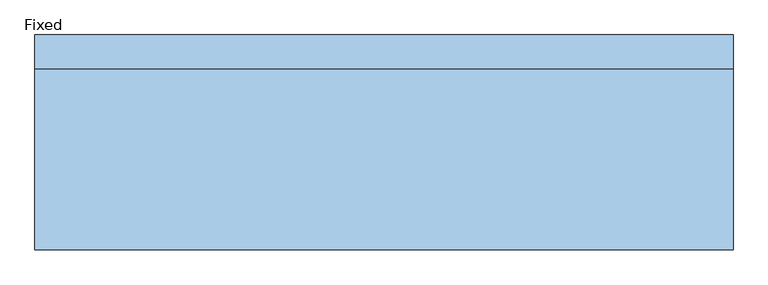
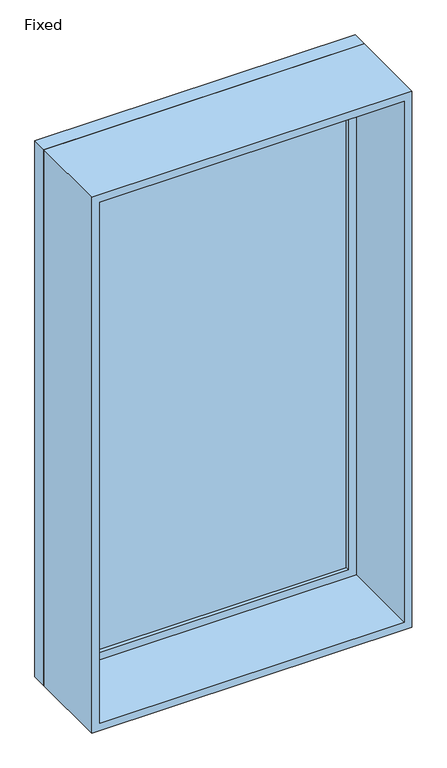
"""IFC4 building model written with IfcOpenShell, lengths in millimetres: window geometry, Fixed."""

from ifc_helpers import new_model, si_unit, frame, origin, place, context, project, spatial, polyline, outline, extrude, source, transform, mapped, element, save


def fixed_79c2ac33(model_context):
    return source(origin(), model_context, "Body", "SweptSolid", [
        extrude(outline(polyline([(548.4, 152.375), (-624.6, 152.375), (-624.6, 165.075), (548.4, 165.075), (548.4, 152.375)])), frame((0.0, 0.0, 977.9), z_axis=(0.0, 0.0, 1.0), x_axis=(1.0, 0.0, 0.0)), (0.0, 0.0, 1.0), 2173.0),
        extrude(outline(polyline([(3195.35, -669.05), (933.45, -669.05), (933.45, 592.85), (3195.35, 592.85), (3195.35, -669.05)]), holes=[polyline([(3150.9, -624.6), (3150.9, 548.4), (977.9, 548.4), (977.9, -624.6), (3150.9, -624.6)])]), frame((0.0, 136.5, 0.0), z_axis=(0.0, 1.0, 0.0), x_axis=(0.0, 0.0, 1.0)), (0.0, 0.0, 1.0), 44.45),
        extrude(outline(polyline([(3214.4, -688.1), (914.4, -688.1), (914.4, 611.9), (3214.4, 611.9), (3214.4, -688.1)]), holes=[polyline([(3182.65, -656.35), (3182.65, 580.15), (946.15, 580.15), (946.15, -656.35), (3182.65, -656.35)])]), frame((0.0, -200.0, 0.0), z_axis=(0.0, 1.0, 0.0), x_axis=(0.0, 0.0, 1.0)), (0.0, 0.0, 1.0), 336.5),
        extrude(outline(polyline([(3214.4, 611.9), (3214.4, -688.1), (914.4, -688.1), (914.4, 611.9), (3214.4, 611.9)]), holes=[polyline([(3195.35, 592.85), (933.45, 592.85), (933.45, -669.05), (3195.35, -669.05), (3195.35, 592.85)])]), frame((0.0, 136.5, 0.0), z_axis=(0.0, 1.0, 0.0), x_axis=(0.0, 0.0, 1.0)), (0.0, 0.0, 1.0), 63.5),
    ])


if __name__ == "__main__":
    model = new_model("IFC4")
    model_context = context("Model", 3, world=origin())
    ifc_project = project(units=[si_unit("LENGTHUNIT", "METRE", prefix="MILLI")], contexts=[model_context])
    site = spatial("IfcSite", under=ifc_project)
    building = spatial("IfcBuilding", under=site)
    placement = place(None, origin())
    fixed_shape = fixed_79c2ac33(model_context)
    element("IfcWindow", 1, ObjectType="Fixed", at=placement, inside=building, context=model_context, shape_type="MappedRepresentation", body=[
        mapped(fixed_shape, transform((0.0, 0.0, 0.0), x_axis=(1.0, 0.0, 0.0), y_axis=(0.0, 1.0, 0.0), z_axis=(0.0, 0.0, 1.0))),
    ])
    save(model, "model.ifc")
